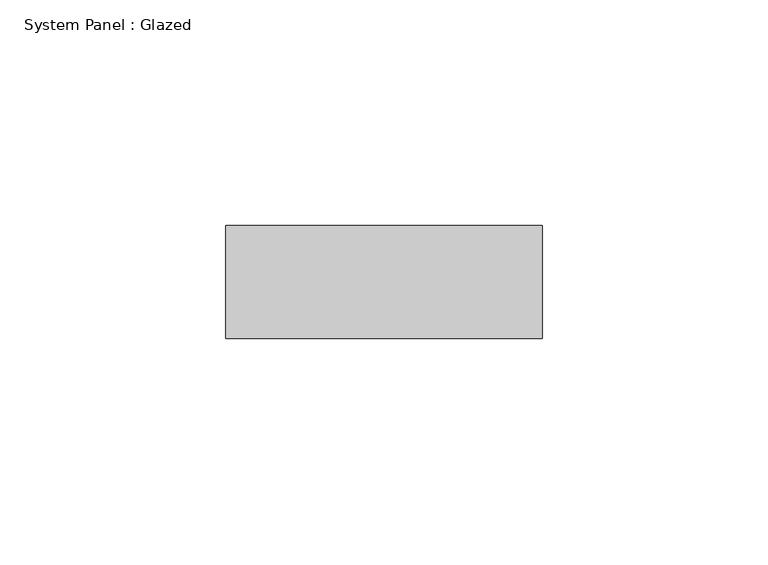
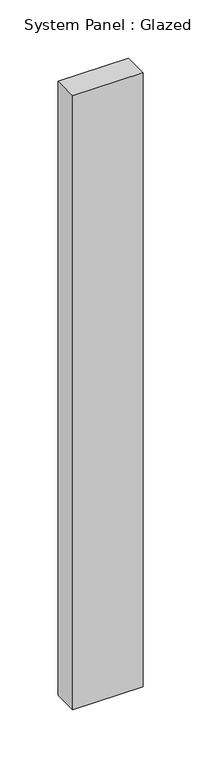
"""IFC4 building model written with IfcOpenShell, lengths in millimetres: plate geometry, System Panel : Glazed."""

import ifcopenshell
import ifcopenshell.guid

model = None  # the IFC model being written
_history = None  # IfcOwnerHistory: only IFC2X3 demands one
_inside = {}  # id of a spatial element -> (the spatial element, [elements in it])
_under = {}  # id of a project, library or spatial element -> (it, [spatial elements below it])
_declared = {}  # id of a project -> (the project, [libraries it declares])
_typed = {}  # id of a type object -> (the type object, [elements of that type])
_made_of = {}  # id of a material, layer set ... -> (it, [elements and type objects made of it])


def new_model(schema):
    """Start an empty IFC model of exactly this schema.

    Asked for "IFC4X3", IfcOpenShell would pick the latest addendum, in which some entities
    have other attributes; the version numbers below select the first issue.
    IFC2X3 requires an IfcOwnerHistory on every rooted entity: one is made here for all.
    """
    global model, _history
    if schema == "IFC4X3":
        model = ifcopenshell.file(schema_version=(4, 3, 0, 0))
    else:
        model = ifcopenshell.file(schema=schema)
    _inside.clear()
    _under.clear()
    _declared.clear()
    _typed.clear()
    _made_of.clear()
    _history = None
    if model.schema == "IFC2X3":
        org = make("IfcOrganization", Name="unknown")
        user = make(
            "IfcPersonAndOrganization",
            ThePerson=make("IfcPerson", FamilyName="unknown"),
            TheOrganization=org,
        )
        app = make(
            "IfcApplication",
            ApplicationDeveloper=org,
            Version="unknown",
            ApplicationFullName="unknown",
            ApplicationIdentifier="unknown",
        )
        _history = make(
            "IfcOwnerHistory",
            OwningUser=user,
            OwningApplication=app,
            ChangeAction="ADDED",
            CreationDate=0,
        )
    return model


def make(cls, **values):
    """One entity of the class cls with the attributes given. An attribute that is None is left unset."""
    return model.create_entity(
        cls, **{name: value for name, value in values.items() if value is not None}
    )


def rooted(cls, **values):
    """An entity with a GlobalId (a new one), such as an element, a storey or a relation."""
    return make(cls, GlobalId=ifcopenshell.guid.new(), OwnerHistory=_history, **values)


def si_unit(unit_type, name, prefix=None):
    """IfcSIUnit, for example si_unit("LENGTHUNIT", "METRE", prefix="MILLI")."""
    return make("IfcSIUnit", UnitType=unit_type, Prefix=prefix, Name=name)


def assignment(units):
    """IfcUnitAssignment: the units of a project."""
    return None if units is None else make("IfcUnitAssignment", Units=units)


def point(xyz):
    """IfcCartesianPoint."""
    return None if xyz is None else make("IfcCartesianPoint", Coordinates=xyz)


def direction(xyz):
    """IfcDirection."""
    return None if xyz is None else make("IfcDirection", DirectionRatios=xyz)


def frame(location, z_axis=None, x_axis=None):
    """IfcAxis2Placement3D, a coordinate frame: its origin and axes. An axis left out is left unset."""
    return make(
        "IfcAxis2Placement3D",
        Location=point(location),
        Axis=direction(z_axis),
        RefDirection=direction(x_axis),
    )


def origin():
    """The frame at (0, 0, 0) with its axes left unset."""
    return frame((0.0, 0.0, 0.0))


def origin_with_axes():
    """The frame at (0, 0, 0) with the z axis (0, 0, 1) and the x axis (1, 0, 0) written out."""
    return frame((0.0, 0.0, 0.0), z_axis=(0.0, 0.0, 1.0), x_axis=(1.0, 0.0, 0.0))


def place(relative_to, where):
    """IfcLocalPlacement: puts the frame where relative to a parent placement (None: the world)."""
    return make(
        "IfcLocalPlacement", PlacementRelTo=relative_to, RelativePlacement=where
    )


def context(
    kind, dimensions, precision=None, world=None, true_north=None, identifier=None
):
    """IfcGeometricRepresentationContext, for example the 3D "Model" context."""
    return make(
        "IfcGeometricRepresentationContext",
        ContextIdentifier=identifier,
        ContextType=kind,
        CoordinateSpaceDimension=dimensions,
        Precision=precision,
        WorldCoordinateSystem=world,
        TrueNorth=true_north,
    )


def project(units=None, contexts=None):
    """IfcProject with its units and contexts."""
    return rooted(
        "IfcProject",
        Name="project",
        RepresentationContexts=contexts,
        UnitsInContext=assignment(units),
    )


def spatial(cls, under=None, at=None, **own):
    """A site, building, storey or space (cls), placed at a placement, below another one or the project."""
    s = rooted(cls, ObjectPlacement=at, **own)
    if under is not None:
        _under.setdefault(under.id(), (under, []))[1].append(s)
    return s


def polyline(points):
    """IfcPolyline through the points."""
    return make("IfcPolyline", Points=[point(p) for p in points])


def outline(outer, holes=None, kind="AREA"):
    """IfcArbitraryClosedProfileDef: a profile drawn as a closed curve; with holes, ...WithVoids."""
    if holes is None:
        return make("IfcArbitraryClosedProfileDef", ProfileType=kind, OuterCurve=outer)
    return make(
        "IfcArbitraryProfileDefWithVoids",
        ProfileType=kind,
        OuterCurve=outer,
        InnerCurves=holes,
    )


def extrude(swept, where, along, depth):
    """IfcExtrudedAreaSolid: the profile swept, set in the frame where, extruded along a direction by depth."""
    return make(
        "IfcExtrudedAreaSolid",
        SweptArea=swept,
        Position=where,
        ExtrudedDirection=direction(along),
        Depth=depth,
    )


def shape(context_of_items, identifier, shape_type, items):
    """IfcShapeRepresentation: the items that make up one representation, for example the "Body"."""
    return make(
        "IfcShapeRepresentation",
        ContextOfItems=context_of_items,
        RepresentationIdentifier=identifier,
        RepresentationType=shape_type,
        Items=items,
    )


def source(mapping_origin, context_of_items, identifier, shape_type, items):
    """IfcRepresentationMap: a shape defined once, which mapped items show again and again."""
    return make(
        "IfcRepresentationMap",
        MappingOrigin=mapping_origin,
        MappedRepresentation=shape(context_of_items, identifier, shape_type, items),
    )


def transform(
    local_origin,
    x_axis=None,
    y_axis=None,
    z_axis=None,
    scale=None,
    scale2=None,
    scale3=None,
    uniform=True,
):
    """IfcCartesianTransformationOperator3D, or its non-uniform kind. x_axis, y_axis, z_axis: its Axis1, 2, 3."""
    if uniform:
        return make(
            "IfcCartesianTransformationOperator3D",
            Axis1=direction(x_axis),
            Axis2=direction(y_axis),
            LocalOrigin=point(local_origin),
            Scale=scale,
            Axis3=direction(z_axis),
        )
    return make(
        "IfcCartesianTransformationOperator3DnonUniform",
        Axis1=direction(x_axis),
        Axis2=direction(y_axis),
        LocalOrigin=point(local_origin),
        Scale=scale,
        Axis3=direction(z_axis),
        Scale2=scale2,
        Scale3=scale3,
    )


def mapped(mapping_source, mapping_target):
    """IfcMappedItem: shows the shape of a source again, moved by a transform."""
    return make(
        "IfcMappedItem", MappingSource=mapping_source, MappingTarget=mapping_target
    )


def made_of(thing, what):
    """Note that an element or type object is made of a material, layer set ...; save() writes the relation."""
    if what is not None:
        _made_of.setdefault(what.id(), (what, []))[1].append(thing)
    return thing


def element(
    cls,
    number,
    at=None,
    inside=None,
    cuts=None,
    type_object=None,
    material=None,
    context=None,
    identifier="Body",
    shape_type=None,
    held_by="IfcProductDefinitionShape",
    body=None,
    shapes=None,
    **own,
):
    """One element of the class cls, such as IfcWall. Its Tag is "e" and its number.

    at: its placement. inside: the storey or other place that contains it. cuts: it is an
    opening in that element (IfcRelVoidsElement). A single representation is given by context,
    identifier, shape_type and body (its items); several are given by shapes. held_by: the class
    of the entity that holds the representations. save() writes the other relations.
    """
    e = rooted(cls, Tag="e%d" % number, ObjectPlacement=at, **own)
    if body is not None:
        shapes = [shape(context, identifier, shape_type, body)]
    if shapes is not None:
        e.Representation = make(held_by, Representations=shapes)
    if inside is not None:
        _inside.setdefault(inside.id(), (inside, []))[1].append(e)
    if cuts is not None:
        rooted(
            "IfcRelVoidsElement", RelatingBuildingElement=cuts, RelatedOpeningElement=e
        )
    if type_object is not None:
        _typed.setdefault(type_object.id(), (type_object, []))[1].append(e)
    return made_of(e, material)


def aggregate(whole, parts):
    """IfcRelAggregates: a whole, such as a stair, and the parts it consists of."""
    return rooted("IfcRelAggregates", RelatingObject=whole, RelatedObjects=parts)


def save(model, path):
    """Write the relations noted so far, then the file.

    IfcRelAggregates (storeys below a building ...), IfcRelContainedInSpatialStructure (elements
    in a storey), IfcRelDefinesByType, IfcRelAssociatesMaterial and IfcRelDeclares: one each for
    every whole, place, type object, material and project.
    """
    for whole, parts in _under.values():
        aggregate(whole, parts)
    for where, things in _inside.values():
        rooted(
            "IfcRelContainedInSpatialStructure",
            RelatedElements=things,
            RelatingStructure=where,
        )
    for kind, things in _typed.values():
        rooted("IfcRelDefinesByType", RelatedObjects=things, RelatingType=kind)
    for what, things in _made_of.values():
        rooted("IfcRelAssociatesMaterial", RelatedObjects=things, RelatingMaterial=what)
    for by, libraries in _declared.values():
        rooted("IfcRelDeclares", RelatingContext=by, RelatedDefinitions=libraries)
    model.write(path)


def system_panel_glazed_f757d921(model_context):
    return source(origin(), model_context, "Body", "SweptSolid", [
        extrude(outline(polyline([(35.0, 24.5), (-35.0, 24.5), (-35.0, 49.5), (35.0, 49.5), (35.0, 24.5)])), origin_with_axes(), (0.0, 0.0, 1.0), 645.0),
    ])


if __name__ == "__main__":
    model = new_model("IFC4")
    model_context = context("Model", 3, world=origin())
    ifc_project = project(units=[si_unit("LENGTHUNIT", "METRE", prefix="MILLI")], contexts=[model_context])
    site = spatial("IfcSite", under=ifc_project)
    building = spatial("IfcBuilding", under=site)
    placement = place(None, origin())
    system_panel_glazed_shape = system_panel_glazed_f757d921(model_context)
    element("IfcPlate", 1, ObjectType="System Panel : Glazed", at=placement, inside=building, context=model_context, shape_type="MappedRepresentation", body=[
        mapped(system_panel_glazed_shape, transform((0.0, 0.0, 0.0), x_axis=(1.0, 0.0, 0.0), y_axis=(0.0, 1.0, 0.0), z_axis=(0.0, 0.0, 1.0))),
    ])
    save(model, "model.ifc")
